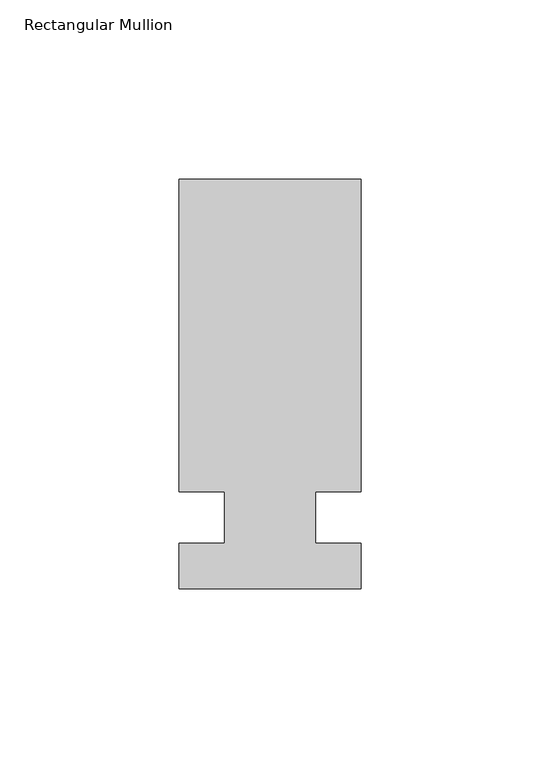
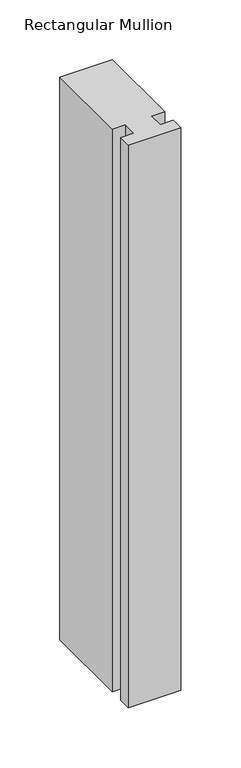
"""IFC4 building model written with IfcOpenShell, lengths in millimetres: member geometry, Rectangular Mullion."""

from ifc_helpers import new_model, si_unit, frame, origin, place, context, project, spatial, polyline, outline, extrude, source, transform, mapped, element, save


def rectangular_mullion_e2d2ab31(model_context):
    return source(origin(), model_context, "Body", "SweptSolid", [
        extrude(outline(polyline([(29.7344027, 94.45625), (29.7344027, 7.14375), (17.0326322, 7.14375), (17.0326322, -7.14375), (29.7344027, -7.14375), (29.7344027, -19.84375), (-21.0655973, -19.84375), (-21.0655973, -7.14375), (-8.3655973, -7.14375), (-8.3655973, 7.14375), (-21.0655973, 7.14375), (-21.0655973, 94.45625), (29.7344027, 94.45625)])), frame((0.0, 0.0, -574.675), z_axis=(0.0, 0.0, 1.0), x_axis=(1.0, 0.0, 0.0)), (0.0, 0.0, 1.0), 574.675),
    ])


if __name__ == "__main__":
    model = new_model("IFC4")
    model_context = context("Model", 3, world=origin())
    ifc_project = project(units=[si_unit("LENGTHUNIT", "METRE", prefix="MILLI")], contexts=[model_context])
    site = spatial("IfcSite", under=ifc_project)
    building = spatial("IfcBuilding", under=site)
    placement = place(None, origin())
    rectangular_mullion_shape = rectangular_mullion_e2d2ab31(model_context)
    element("IfcMember", 1, ObjectType="Rectangular Mullion", at=placement, inside=building, context=model_context, shape_type="MappedRepresentation", body=[
        mapped(rectangular_mullion_shape, transform((0.0, 0.0, 0.0), x_axis=(1.0, 0.0, 0.0), y_axis=(0.0, 1.0, 0.0), z_axis=(0.0, 0.0, 1.0))),
    ])
    save(model, "model.ifc")
